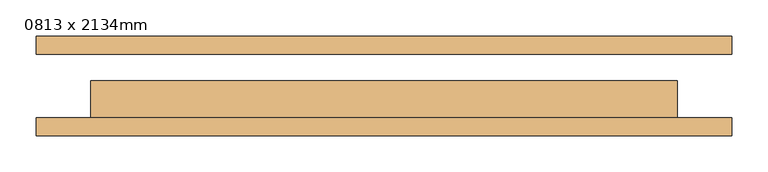
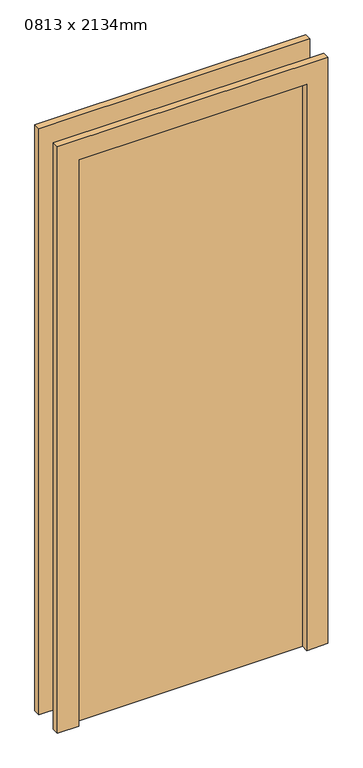
"""IFC4 building model written with IfcOpenShell, lengths in millimetres: door geometry, 0813 x 2134mm."""

from ifc_helpers import new_model, si_unit, frame, origin, origin_with_axes, place, context, project, spatial, polyline, outline, extrude, source, transform, mapped, element, save


def door_0813_x_2134mm_a05e764f(model_context):
    return source(origin(), model_context, "Body", "SweptSolid", [
        extrude(outline(polyline([(2210.0, -482.5), (0.0, -482.5), (0.0, -406.5), (2134.0, -406.5), (2134.0, 406.5), (0.0, 406.5), (0.0, 482.5), (2210.0, 482.5), (2210.0, -482.5)])), frame((0.0, -69.0, 0.0), z_axis=(0.0, 1.0, 0.0), x_axis=(0.0, 0.0, 1.0)), (0.0, 0.0, 1.0), 25.0),
        extrude(outline(polyline([(2210.0, 482.5), (2210.0, -482.5), (0.0, -482.5), (0.0, -406.5), (2134.0, -406.5), (2134.0, 406.5), (0.0, 406.5), (0.0, 482.5), (2210.0, 482.5)])), frame((0.0, 44.0, 0.0), z_axis=(0.0, 1.0, 0.0), x_axis=(0.0, 0.0, 1.0)), (0.0, 0.0, 1.0), 25.0),
        extrude(outline(polyline([(406.5, 7.0), (406.5, -44.0), (-406.5, -44.0), (-406.5, 7.0), (406.5, 7.0)])), origin_with_axes(), (0.0, 0.0, 1.0), 2134.0),
    ])


if __name__ == "__main__":
    model = new_model("IFC4")
    model_context = context("Model", 3, world=origin())
    ifc_project = project(units=[si_unit("LENGTHUNIT", "METRE", prefix="MILLI")], contexts=[model_context])
    site = spatial("IfcSite", under=ifc_project)
    building = spatial("IfcBuilding", under=site)
    placement = place(None, origin())
    door_0813_x_2134mm_shape = door_0813_x_2134mm_a05e764f(model_context)
    element("IfcDoor", 1, ObjectType="0813 x 2134mm", at=placement, inside=building, context=model_context, shape_type="MappedRepresentation", body=[
        mapped(door_0813_x_2134mm_shape, transform((0.0, 0.0, 0.0), x_axis=(1.0, 0.0, 0.0), y_axis=(0.0, 1.0, 0.0), z_axis=(0.0, 0.0, 1.0))),
    ])
    save(model, "model.ifc")
